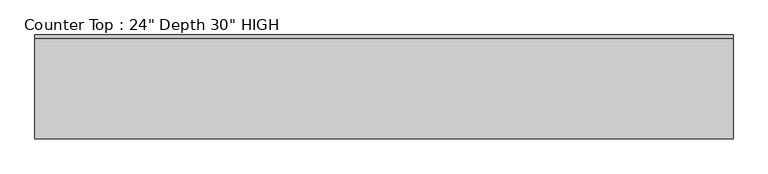
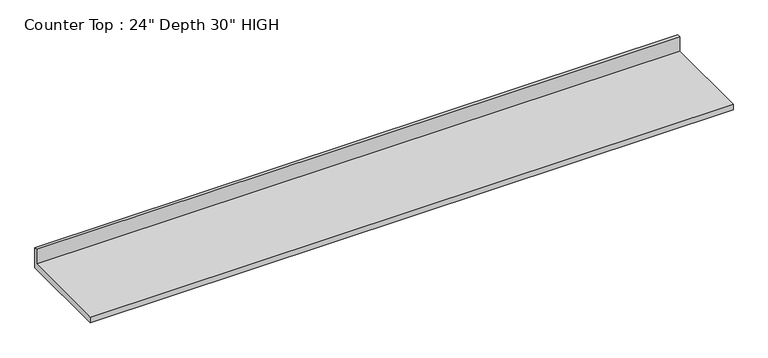
"""IFC4 building model written with IfcOpenShell, lengths in millimetres: furniture geometry."""

from ifc_helpers import new_model, si_unit, frame, origin, place, context, project, spatial, polyline, outline, extrude, source, transform, mapped, element, save


def furniture_4cc1ed47(model_context):
    return source(origin(), model_context, "Body", "SweptSolid", [
        extrude(outline(polyline([(0.0, 965.2), (0.0, 825.5), (-635.0, 825.5), (-635.0, 863.6), (-19.05, 863.6), (-19.05, 965.2), (0.0, 965.2)])), frame((-1200.4622951, 0.0, 0.0), z_axis=(1.0, 0.0, 0.0), x_axis=(0.0, 1.0, 0.0)), (0.0, 0.0, 1.0), 4267.2),
    ])


if __name__ == "__main__":
    model = new_model("IFC4")
    model_context = context("Model", 3, world=origin())
    ifc_project = project(units=[si_unit("LENGTHUNIT", "METRE", prefix="MILLI")], contexts=[model_context])
    site = spatial("IfcSite", under=ifc_project)
    building = spatial("IfcBuilding", under=site)
    placement = place(None, origin())
    furniture_shape = furniture_4cc1ed47(model_context)
    element("IfcFurniture", 1, ObjectType="Counter Top : 24\" Depth 30\" HIGH", at=placement, inside=building, context=model_context, shape_type="MappedRepresentation", body=[
        mapped(furniture_shape, transform((0.0, 0.0, 0.0), x_axis=(1.0, 0.0, 0.0), y_axis=(0.0, 1.0, 0.0), z_axis=(0.0, 0.0, 1.0))),
    ])
    save(model, "model.ifc")
